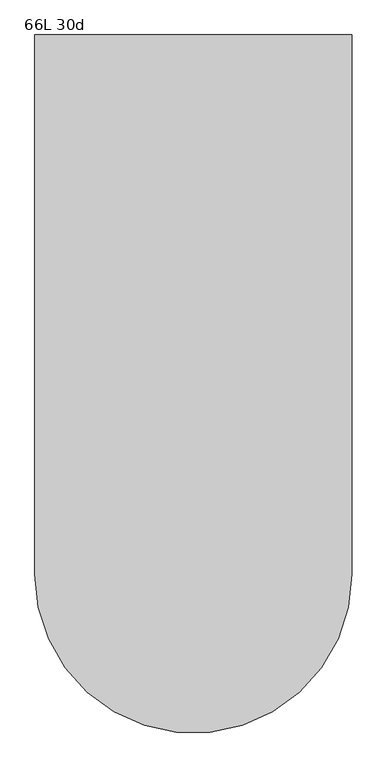
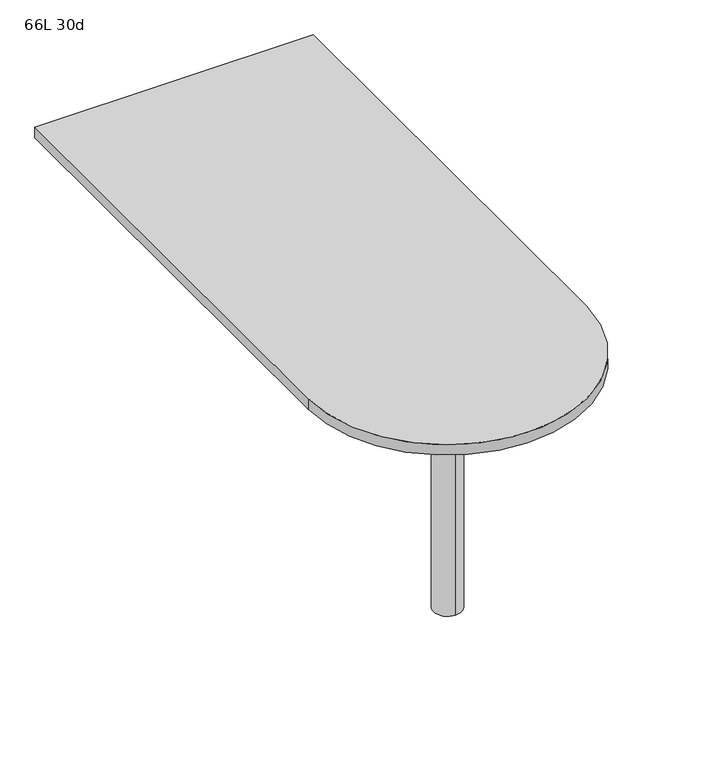
"""IFC4 building model written with IfcOpenShell, lengths in millimetres: furniture geometry, 66L 30d."""

from ifc_helpers import new_model, si_unit, point, frame, frame_2d, origin, place, context, project, spatial, polyline, circle_curve, trimmed, segment, composite_curve, outline, extrude, source, transform, mapped, element, save
from ifc_brep_helpers import plane_surface, cylinder_surface, advanced_brep


def furniture_66l_30d_631d0d98(model_context):
    return source(origin(), model_context, "Body", "SolidModel", [
        advanced_brep(
        [(0.0, -419.1, 706.4375), (0.0, -495.3, 706.4375), (0.0, -457.2, 706.4375), (0.0, -419.1, 0.0), (0.0, -495.3, 0.0), (0.0, -457.2, 0.0)],
        [
            (0, 1, circle_curve(frame((0.0, -457.2, 706.4375), z_axis=(0.0, 0.0, 1.0), x_axis=(0.0, -1.0, 0.0)), 38.1)),
            (1, 2),
            (2, 0),
            (1, 0, circle_curve(frame((0.0, -457.2, 706.4375), z_axis=(0.0, 0.0, 1.0), x_axis=(0.0, -1.0, 0.0)), 38.1)),
            (3, 4, circle_curve(frame((0.0, -457.2, 0.0), z_axis=(0.0, 0.0, 1.0), x_axis=(0.0, -1.0, 0.0)), 38.1)),
            (4, 1),
            (0, 3),
            (4, 3, circle_curve(frame((0.0, -457.2, 0.0), z_axis=(0.0, 0.0, 1.0), x_axis=(0.0, -1.0, 0.0)), 38.1)),
            (5, 4),
            (3, 5),
        ],
        [
            plane_surface(frame((0.0, -457.2, 706.4375), z_axis=(0.0, 0.0, 1.0), x_axis=(0.0, -1.0, 0.0))),
            cylinder_surface(frame((0.0, -457.2, 889.623257), z_axis=(0.0, 0.0, -1.0), x_axis=(0.0, -1.0, 0.0)), 38.1),
            plane_surface(frame((0.0, -457.2, 0.0), z_axis=(0.0, 0.0, -1.0), x_axis=(0.0, -1.0, 0.0))),
        ],
        [
            (0, [[1, 2, 3]]),
            (0, [[4, -3, -2]]),
            (1, [[5, 6, -1, 7]]),
            (1, [[8, -7, -4, -6]]),
            (2, [[9, -5, 10]]),
            (2, [[-10, -8, -9]]),
        ],
    ),
        extrude(outline(composite_curve([segment(polyline([(-381.0, -457.2), (-381.0, 838.2), (381.0, 838.2), (381.0, -457.2)]), True, "CONTINUOUS"), segment(trimmed(circle_curve(frame_2d((0.0, -457.2)), 381.0), [point((381.0, -457.2))], [point((-381.0, -457.2))], False, "CARTESIAN"), True, "CONTINUOUS")], self_intersect=False)), frame((0.0, 0.0, 706.4375), z_axis=(0.0, 0.0, 1.0), x_axis=(1.0, 0.0, 0.0)), (0.0, 0.0, 1.0), 30.1625),
    ])


if __name__ == "__main__":
    model = new_model("IFC4")
    model_context = context("Model", 3, world=origin())
    ifc_project = project(units=[si_unit("LENGTHUNIT", "METRE", prefix="MILLI")], contexts=[model_context])
    site = spatial("IfcSite", under=ifc_project)
    building = spatial("IfcBuilding", under=site)
    placement = place(None, origin())
    furniture_66l_30d_shape = furniture_66l_30d_631d0d98(model_context)
    element("IfcFurniture", 1, ObjectType="66L 30d", at=placement, inside=building, context=model_context, shape_type="MappedRepresentation", body=[
        mapped(furniture_66l_30d_shape, transform((0.0, 0.0, 0.0), x_axis=(1.0, 0.0, 0.0), y_axis=(0.0, 1.0, 0.0), z_axis=(0.0, 0.0, 1.0))),
    ])
    save(model, "model.ifc")
